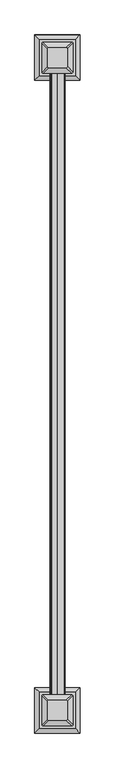
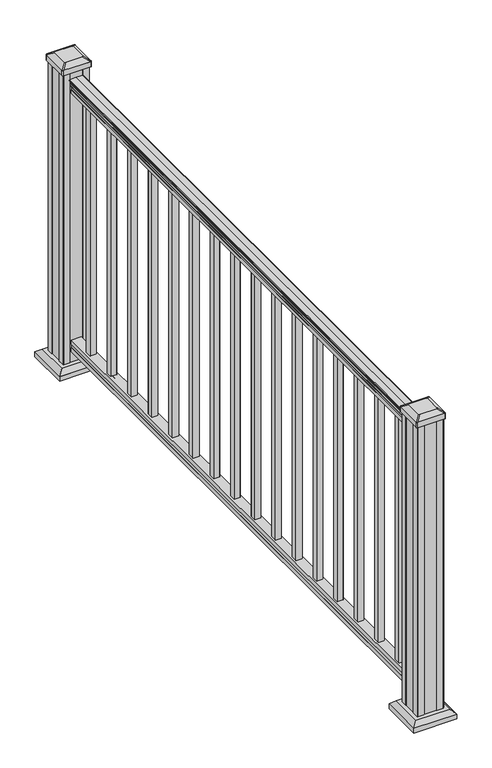
"""IFC4 building model written with IfcOpenShell, lengths in millimetres: railing geometry."""

import ifcopenshell
import ifcopenshell.guid

model = None  # the IFC model being written
_history = None  # IfcOwnerHistory: only IFC2X3 demands one
_inside = {}  # id of a spatial element -> (the spatial element, [elements in it])
_under = {}  # id of a project, library or spatial element -> (it, [spatial elements below it])
_declared = {}  # id of a project -> (the project, [libraries it declares])
_typed = {}  # id of a type object -> (the type object, [elements of that type])
_made_of = {}  # id of a material, layer set ... -> (it, [elements and type objects made of it])


def new_model(schema):
    """Start an empty IFC model of exactly this schema.

    Asked for "IFC4X3", IfcOpenShell would pick the latest addendum, in which some entities
    have other attributes; the version numbers below select the first issue.
    IFC2X3 requires an IfcOwnerHistory on every rooted entity: one is made here for all.
    """
    global model, _history
    if schema == "IFC4X3":
        model = ifcopenshell.file(schema_version=(4, 3, 0, 0))
    else:
        model = ifcopenshell.file(schema=schema)
    _inside.clear()
    _under.clear()
    _declared.clear()
    _typed.clear()
    _made_of.clear()
    _history = None
    if model.schema == "IFC2X3":
        org = make("IfcOrganization", Name="unknown")
        user = make(
            "IfcPersonAndOrganization",
            ThePerson=make("IfcPerson", FamilyName="unknown"),
            TheOrganization=org,
        )
        app = make(
            "IfcApplication",
            ApplicationDeveloper=org,
            Version="unknown",
            ApplicationFullName="unknown",
            ApplicationIdentifier="unknown",
        )
        _history = make(
            "IfcOwnerHistory",
            OwningUser=user,
            OwningApplication=app,
            ChangeAction="ADDED",
            CreationDate=0,
        )
    return model


def make(cls, **values):
    """One entity of the class cls with the attributes given. An attribute that is None is left unset."""
    return model.create_entity(
        cls, **{name: value for name, value in values.items() if value is not None}
    )


def rooted(cls, **values):
    """An entity with a GlobalId (a new one), such as an element, a storey or a relation."""
    return make(cls, GlobalId=ifcopenshell.guid.new(), OwnerHistory=_history, **values)


def si_unit(unit_type, name, prefix=None):
    """IfcSIUnit, for example si_unit("LENGTHUNIT", "METRE", prefix="MILLI")."""
    return make("IfcSIUnit", UnitType=unit_type, Prefix=prefix, Name=name)


def assignment(units):
    """IfcUnitAssignment: the units of a project."""
    return None if units is None else make("IfcUnitAssignment", Units=units)


def point(xyz):
    """IfcCartesianPoint."""
    return None if xyz is None else make("IfcCartesianPoint", Coordinates=xyz)


def direction(xyz):
    """IfcDirection."""
    return None if xyz is None else make("IfcDirection", DirectionRatios=xyz)


def frame(location, z_axis=None, x_axis=None):
    """IfcAxis2Placement3D, a coordinate frame: its origin and axes. An axis left out is left unset."""
    return make(
        "IfcAxis2Placement3D",
        Location=point(location),
        Axis=direction(z_axis),
        RefDirection=direction(x_axis),
    )


def frame_2d(location, x_axis=None):
    """IfcAxis2Placement2D, a coordinate frame in the plane: its origin and x axis."""
    return make(
        "IfcAxis2Placement2D", Location=point(location), RefDirection=direction(x_axis)
    )


def origin():
    """The frame at (0, 0, 0) with its axes left unset."""
    return frame((0.0, 0.0, 0.0))


def origin_with_axes():
    """The frame at (0, 0, 0) with the z axis (0, 0, 1) and the x axis (1, 0, 0) written out."""
    return frame((0.0, 0.0, 0.0), z_axis=(0.0, 0.0, 1.0), x_axis=(1.0, 0.0, 0.0))


def place(relative_to, where):
    """IfcLocalPlacement: puts the frame where relative to a parent placement (None: the world)."""
    return make(
        "IfcLocalPlacement", PlacementRelTo=relative_to, RelativePlacement=where
    )


def context(
    kind, dimensions, precision=None, world=None, true_north=None, identifier=None
):
    """IfcGeometricRepresentationContext, for example the 3D "Model" context."""
    return make(
        "IfcGeometricRepresentationContext",
        ContextIdentifier=identifier,
        ContextType=kind,
        CoordinateSpaceDimension=dimensions,
        Precision=precision,
        WorldCoordinateSystem=world,
        TrueNorth=true_north,
    )


def project(units=None, contexts=None):
    """IfcProject with its units and contexts."""
    return rooted(
        "IfcProject",
        Name="project",
        RepresentationContexts=contexts,
        UnitsInContext=assignment(units),
    )


def spatial(cls, under=None, at=None, **own):
    """A site, building, storey or space (cls), placed at a placement, below another one or the project."""
    s = rooted(cls, ObjectPlacement=at, **own)
    if under is not None:
        _under.setdefault(under.id(), (under, []))[1].append(s)
    return s


def polyline(points):
    """IfcPolyline through the points."""
    return make("IfcPolyline", Points=[point(p) for p in points])


def circle_curve(where, radius):
    """IfcCircle in the frame where."""
    return make("IfcCircle", Position=where, Radius=radius)


def trimmed(basis, trim1, trim2, sense, master):
    """IfcTrimmedCurve: the piece of a basis curve between two trims."""
    return make(
        "IfcTrimmedCurve",
        BasisCurve=basis,
        Trim1=trim1,
        Trim2=trim2,
        SenseAgreement=sense,
        MasterRepresentation=master,
    )


def segment(curve, same_sense, transition):
    """IfcCompositeCurveSegment."""
    return make(
        "IfcCompositeCurveSegment",
        Transition=transition,
        SameSense=same_sense,
        ParentCurve=curve,
    )


def composite_curve(segments, self_intersect=None):
    """IfcCompositeCurve: segments joined end to end."""
    return make("IfcCompositeCurve", Segments=segments, SelfIntersect=self_intersect)


def outline(outer, holes=None, kind="AREA"):
    """IfcArbitraryClosedProfileDef: a profile drawn as a closed curve; with holes, ...WithVoids."""
    if holes is None:
        return make("IfcArbitraryClosedProfileDef", ProfileType=kind, OuterCurve=outer)
    return make(
        "IfcArbitraryProfileDefWithVoids",
        ProfileType=kind,
        OuterCurve=outer,
        InnerCurves=holes,
    )


def extrude(swept, where, along, depth):
    """IfcExtrudedAreaSolid: the profile swept, set in the frame where, extruded along a direction by depth."""
    return make(
        "IfcExtrudedAreaSolid",
        SweptArea=swept,
        Position=where,
        ExtrudedDirection=direction(along),
        Depth=depth,
    )


def faces_of(points, faces, orient=None, outer=None):
    """IfcFace entities. A face is a list of loops; a loop is a list of indices into points, from 0.

    orient and outer hold one flag for each loop. By default every Orientation is true, the
    first loop of a face is its IfcFaceOuterBound and the others are IfcFaceBound.
    """
    made = []
    for i, loops in enumerate(faces):
        bounds = []
        for j, loop in enumerate(loops):
            is_outer = j == 0 if outer is None else outer[i][j]
            bounds.append(
                make(
                    "IfcFaceOuterBound" if is_outer else "IfcFaceBound",
                    Bound=make("IfcPolyLoop", Polygon=[points[k] for k in loop]),
                    Orientation=True if orient is None else orient[i][j],
                )
            )
        made.append(make("IfcFace", Bounds=bounds))
    return made


def faceted_brep(points, faces, orient=None, outer=None, voids=None):
    """IfcFacetedBrep: a solid bounded by flat faces; with voids (closed shells), ...WithVoids."""
    shared = [point(p) for p in points]
    hull = make("IfcClosedShell", CfsFaces=faces_of(shared, faces, orient, outer))
    if voids is None:
        return make("IfcFacetedBrep", Outer=hull)
    return make(
        "IfcFacetedBrepWithVoids",
        Outer=hull,
        Voids=[
            make(cls, CfsFaces=faces_of(shared, fs, o, b)) for cls, fs, o, b in voids
        ],
    )


def shape(context_of_items, identifier, shape_type, items):
    """IfcShapeRepresentation: the items that make up one representation, for example the "Body"."""
    return make(
        "IfcShapeRepresentation",
        ContextOfItems=context_of_items,
        RepresentationIdentifier=identifier,
        RepresentationType=shape_type,
        Items=items,
    )


def source(mapping_origin, context_of_items, identifier, shape_type, items):
    """IfcRepresentationMap: a shape defined once, which mapped items show again and again."""
    return make(
        "IfcRepresentationMap",
        MappingOrigin=mapping_origin,
        MappedRepresentation=shape(context_of_items, identifier, shape_type, items),
    )


def transform(
    local_origin,
    x_axis=None,
    y_axis=None,
    z_axis=None,
    scale=None,
    scale2=None,
    scale3=None,
    uniform=True,
):
    """IfcCartesianTransformationOperator3D, or its non-uniform kind. x_axis, y_axis, z_axis: its Axis1, 2, 3."""
    if uniform:
        return make(
            "IfcCartesianTransformationOperator3D",
            Axis1=direction(x_axis),
            Axis2=direction(y_axis),
            LocalOrigin=point(local_origin),
            Scale=scale,
            Axis3=direction(z_axis),
        )
    return make(
        "IfcCartesianTransformationOperator3DnonUniform",
        Axis1=direction(x_axis),
        Axis2=direction(y_axis),
        LocalOrigin=point(local_origin),
        Scale=scale,
        Axis3=direction(z_axis),
        Scale2=scale2,
        Scale3=scale3,
    )


def mapped(mapping_source, mapping_target):
    """IfcMappedItem: shows the shape of a source again, moved by a transform."""
    return make(
        "IfcMappedItem", MappingSource=mapping_source, MappingTarget=mapping_target
    )


def made_of(thing, what):
    """Note that an element or type object is made of a material, layer set ...; save() writes the relation."""
    if what is not None:
        _made_of.setdefault(what.id(), (what, []))[1].append(thing)
    return thing


def element(
    cls,
    number,
    at=None,
    inside=None,
    cuts=None,
    type_object=None,
    material=None,
    context=None,
    identifier="Body",
    shape_type=None,
    held_by="IfcProductDefinitionShape",
    body=None,
    shapes=None,
    **own,
):
    """One element of the class cls, such as IfcWall. Its Tag is "e" and its number.

    at: its placement. inside: the storey or other place that contains it. cuts: it is an
    opening in that element (IfcRelVoidsElement). A single representation is given by context,
    identifier, shape_type and body (its items); several are given by shapes. held_by: the class
    of the entity that holds the representations. save() writes the other relations.
    """
    e = rooted(cls, Tag="e%d" % number, ObjectPlacement=at, **own)
    if body is not None:
        shapes = [shape(context, identifier, shape_type, body)]
    if shapes is not None:
        e.Representation = make(held_by, Representations=shapes)
    if inside is not None:
        _inside.setdefault(inside.id(), (inside, []))[1].append(e)
    if cuts is not None:
        rooted(
            "IfcRelVoidsElement", RelatingBuildingElement=cuts, RelatedOpeningElement=e
        )
    if type_object is not None:
        _typed.setdefault(type_object.id(), (type_object, []))[1].append(e)
    return made_of(e, material)


def aggregate(whole, parts):
    """IfcRelAggregates: a whole, such as a stair, and the parts it consists of."""
    return rooted("IfcRelAggregates", RelatingObject=whole, RelatedObjects=parts)


def save(model, path):
    """Write the relations noted so far, then the file.

    IfcRelAggregates (storeys below a building ...), IfcRelContainedInSpatialStructure (elements
    in a storey), IfcRelDefinesByType, IfcRelAssociatesMaterial and IfcRelDeclares: one each for
    every whole, place, type object, material and project.
    """
    for whole, parts in _under.values():
        aggregate(whole, parts)
    for where, things in _inside.values():
        rooted(
            "IfcRelContainedInSpatialStructure",
            RelatedElements=things,
            RelatingStructure=where,
        )
    for kind, things in _typed.values():
        rooted("IfcRelDefinesByType", RelatedObjects=things, RelatingType=kind)
    for what, things in _made_of.values():
        rooted("IfcRelAssociatesMaterial", RelatedObjects=things, RelatingMaterial=what)
    for by, libraries in _declared.values():
        rooted("IfcRelDeclares", RelatingContext=by, RelatedDefinitions=libraries)
    model.write(path)


def plane_surface(at):
    """IfcPlane: the flat surface through the origin of the frame at, square to its z axis."""
    return make("IfcPlane", Position=at)


def extruded_surface(curve, direction_of_extrusion, depth):
    """IfcSurfaceOfLinearExtrusion: the curve pushed along a direction by depth."""
    return make(
        "IfcSurfaceOfLinearExtrusion",
        SweptCurve=make("IfcArbitraryOpenProfileDef", ProfileType="CURVE", Curve=curve),
        ExtrudedDirection=direction(direction_of_extrusion),
        Depth=depth,
    )


def advanced_brep(points, edges, surfaces, faces):
    """IfcAdvancedBrep: a solid bounded by faces that lie on surfaces and meet in shared edges.

    An edge is (start, end): straight between two places in points (the first is 0);
    or (start, end, curve); or (start, end, curve, False) where it runs against its curve.
    A face is (place in surfaces, loops), or (place, loops, False) where it looks against
    its surface's normal. A loop lists edges by number (the first is 1), with a minus sign
    where the edge is run from its end to its start. The first loop is the outer one.
    """
    corners = [point(p) for p in points]
    vertices = [make("IfcVertexPoint", VertexGeometry=c) for c in corners]
    made = []
    for start, end, *more in edges:
        made.append(
            make(
                "IfcEdgeCurve",
                EdgeStart=vertices[start],
                EdgeEnd=vertices[end],
                EdgeGeometry=more[0] if more else make("IfcPolyline", Points=[corners[start], corners[end]]),
                SameSense=more[1] if len(more) > 1 else True,
            )
        )
    hull = []
    for where, loops, *sense in faces:
        bounds = []
        for j, loop in enumerate(loops):
            ring = [make("IfcOrientedEdge", EdgeElement=made[abs(k) - 1], Orientation=k > 0) for k in loop]
            bounds.append(
                make(
                    "IfcFaceOuterBound" if j == 0 else "IfcFaceBound",
                    Bound=make("IfcEdgeLoop", EdgeList=ring),
                    Orientation=True,
                )
            )
        hull.append(make("IfcAdvancedFace", Bounds=bounds, FaceSurface=surfaces[where], SameSense=sense[0] if sense else True))
    return make("IfcAdvancedBrep", Outer=make("IfcClosedShell", CfsFaces=hull))


def railing_c52106c8(model_context):
    return source(origin(), model_context, "Body", "SolidModel", [
        extrude(outline(composite_curve([segment(trimmed(circle_curve(frame_2d((938.4043297, -265.9572176)), 1.2869144), [point((938.4043297, -267.2441319))], [point((938.4043297, -264.6703032))], False, "CARTESIAN"), True, "CONTINUOUS"), segment(polyline([(938.4043297, -264.6703032), (927.747013, -264.6703032), (926.731013, -265.6863032), (914.4, -265.6863032), (914.4, -233.9363032), (926.8888283, -233.9363032), (927.9048283, -234.9523032), (938.4043297, -234.9523032)]), True, "CONTINUOUS"), segment(trimmed(circle_curve(frame_2d((938.4043297, -233.6653888)), 1.2869144), [point((938.4043297, -234.9523032))], [point((938.4043297, -232.3784745))], False, "CARTESIAN"), True, "CONTINUOUS"), segment(polyline([(938.4043297, -232.3784745), (940.292412, -232.3784745)]), True, "CONTINUOUS"), segment(trimmed(circle_curve(frame_2d((946.0506383, -238.6932277)), 8.545951), [point((940.292412, -232.3784745))], [point((941.8546695, -231.2482882))], False, "CARTESIAN"), True, "CONTINUOUS"), segment(trimmed(circle_curve(frame_2d((945.4636577, -238.2561648)), 7.882584), [point((941.8546695, -231.2482882))], [point((949.0726458, -231.2482882))], False, "CARTESIAN"), True, "CONTINUOUS"), segment(trimmed(circle_curve(frame_2d((951.3112527, -227.7428406)), 4.1592695), [point((949.0726458, -231.2482882))], [point((951.5060812, -231.8975446))], True, "CARTESIAN"), True, "CONTINUOUS"), segment(trimmed(circle_curve(frame_2d((951.2508864, -226.4555341)), 5.4479907), [point((951.5060812, -231.8975446))], [point((955.8362083, -229.3975446))], True, "CARTESIAN"), True, "CONTINUOUS"), segment(trimmed(circle_curve(frame_2d((955.833395, -227.6886925)), 1.7088543), [point((955.8362083, -229.3975446))], [point((957.5157972, -227.9882021))], True, "CARTESIAN"), True, "CONTINUOUS"), segment(trimmed(circle_curve(frame_2d((958.6205318, -229.3055926)), 1.7192895), [point((957.5157972, -227.9882021))], [point((958.6205318, -227.5863031))], False, "CARTESIAN"), True, "CONTINUOUS"), segment(polyline([(958.6205318, -227.5863031), (959.9608158, -227.5863032)]), True, "CONTINUOUS"), segment(trimmed(circle_curve(frame_2d((959.9608158, -229.1397504)), 1.5534472), [point((959.9608158, -227.5863032))], [point((961.514263, -229.1397504))], False, "CARTESIAN"), True, "CONTINUOUS"), segment(polyline([(961.514263, -229.1397504), (961.514263, -249.8113032), (961.514263, -270.482856)]), True, "CONTINUOUS"), segment(trimmed(circle_curve(frame_2d((959.9608158, -270.482856)), 1.5534472), [point((961.514263, -270.482856))], [point((959.9608158, -272.0363032))], False, "CARTESIAN"), True, "CONTINUOUS"), segment(polyline([(959.9608158, -272.0363032), (958.6205318, -272.0363032)]), True, "CONTINUOUS"), segment(trimmed(circle_curve(frame_2d((958.6205318, -270.3170138)), 1.7192895), [point((958.6205318, -272.0363032))], [point((957.5157972, -271.6344043))], False, "CARTESIAN"), True, "CONTINUOUS"), segment(trimmed(circle_curve(frame_2d((955.833395, -271.9339139)), 1.7088543), [point((957.5157972, -271.6344043))], [point((955.8362083, -270.2250618))], True, "CARTESIAN"), True, "CONTINUOUS"), segment(trimmed(circle_curve(frame_2d((951.2508864, -273.1670723)), 5.4479907), [point((955.8362083, -270.2250618))], [point((951.5060812, -267.7250618))], True, "CARTESIAN"), True, "CONTINUOUS"), segment(trimmed(circle_curve(frame_2d((951.3112527, -271.8797657)), 4.1592695), [point((951.5060812, -267.7250618))], [point((949.0726458, -268.3743182))], True, "CARTESIAN"), True, "CONTINUOUS"), segment(trimmed(circle_curve(frame_2d((945.4636577, -261.3664416)), 7.882584), [point((949.0726458, -268.3743182))], [point((941.8546695, -268.3743182))], False, "CARTESIAN"), True, "CONTINUOUS"), segment(trimmed(circle_curve(frame_2d((946.0506383, -260.9293786)), 8.545951), [point((941.8546695, -268.3743182))], [point((940.292412, -267.2441319))], False, "CARTESIAN"), True, "CONTINUOUS"), segment(polyline([(940.292412, -267.2441319), (938.4043297, -267.2441319)]), True, "CONTINUOUS")], self_intersect=False)), frame((0.0, 2296.7647067, 0.0), z_axis=(0.0, 1.0, 0.0), x_axis=(0.0, 0.0, 1.0)), (0.0, 0.0, 1.0), 1828.8),
        extrude(outline(polyline([(76.0541976, -265.7237901), (63.5, -265.7237901), (63.5, -233.9737901), (76.0375508, -233.9737901), (77.3858283, -234.9897901), (87.6975248, -234.9897901), (89.0458024, -233.9737901), (101.5958781, -233.9737901), (101.5958781, -265.7237901), (89.0624492, -265.7237901), (87.7141717, -264.7077901), (77.3546183, -264.7077901), (76.0541976, -265.7237901)])), frame((0.0, 2296.7647067, 0.0), z_axis=(0.0, 1.0, 0.0), x_axis=(0.0, 0.0, 1.0)), (0.0, 0.0, 1.0), 1828.8),
        extrude(outline(polyline([(-259.3363032, 4035.0772067), (-259.3363032, 4054.1272067), (-240.2863032, 4054.1272067), (-240.2863032, 4035.0772067), (-259.3363032, 4035.0772067)]), holes=[polyline([(-258.9394282, 4035.4740817), (-240.6831782, 4035.4740817), (-240.6831782, 4053.7303317), (-258.9394282, 4053.7303317), (-258.9394282, 4035.4740817)])]), frame((0.0, 0.0, 101.5958781), z_axis=(0.0, 0.0, 1.0), x_axis=(1.0, 0.0, 0.0)), (0.0, 0.0, 1.0), 812.8041219),
        extrude(outline(polyline([(-259.3363032, 3923.9522067), (-259.3363032, 3943.0022067), (-240.2863032, 3943.0022067), (-240.2863032, 3923.9522067), (-259.3363032, 3923.9522067)]), holes=[polyline([(-258.9394282, 3924.3490817), (-240.6831782, 3924.3490817), (-240.6831782, 3942.6053317), (-258.9394282, 3942.6053317), (-258.9394282, 3924.3490817)])]), frame((0.0, 0.0, 101.5958781), z_axis=(0.0, 0.0, 1.0), x_axis=(1.0, 0.0, 0.0)), (0.0, 0.0, 1.0), 812.8041219),
        extrude(outline(polyline([(-259.3363032, 3812.8272067), (-259.3363032, 3831.8772067), (-240.2863032, 3831.8772067), (-240.2863032, 3812.8272067), (-259.3363032, 3812.8272067)]), holes=[polyline([(-258.9394282, 3813.2240817), (-240.6831782, 3813.2240817), (-240.6831782, 3831.4803317), (-258.9394282, 3831.4803317), (-258.9394282, 3813.2240817)])]), frame((0.0, 0.0, 101.5958781), z_axis=(0.0, 0.0, 1.0), x_axis=(1.0, 0.0, 0.0)), (0.0, 0.0, 1.0), 812.8041219),
        extrude(outline(polyline([(-259.3363032, 3701.7022067), (-259.3363032, 3720.7522067), (-240.2863032, 3720.7522067), (-240.2863032, 3701.7022067), (-259.3363032, 3701.7022067)]), holes=[polyline([(-258.9394282, 3702.0990817), (-240.6831782, 3702.0990817), (-240.6831782, 3720.3553317), (-258.9394282, 3720.3553317), (-258.9394282, 3702.0990817)])]), frame((0.0, 0.0, 101.5958781), z_axis=(0.0, 0.0, 1.0), x_axis=(1.0, 0.0, 0.0)), (0.0, 0.0, 1.0), 812.8041219),
        extrude(outline(polyline([(-259.3363032, 3590.5772067), (-259.3363032, 3609.6272067), (-240.2863032, 3609.6272067), (-240.2863032, 3590.5772067), (-259.3363032, 3590.5772067)]), holes=[polyline([(-258.9394282, 3590.9740817), (-240.6831782, 3590.9740817), (-240.6831782, 3609.2303317), (-258.9394282, 3609.2303317), (-258.9394282, 3590.9740817)])]), frame((0.0, 0.0, 101.5958781), z_axis=(0.0, 0.0, 1.0), x_axis=(1.0, 0.0, 0.0)), (0.0, 0.0, 1.0), 812.8041219),
        extrude(outline(polyline([(-259.3363032, 3479.4522067), (-259.3363032, 3498.5022067), (-240.2863032, 3498.5022067), (-240.2863032, 3479.4522067), (-259.3363032, 3479.4522067)]), holes=[polyline([(-258.9394282, 3479.8490817), (-240.6831782, 3479.8490817), (-240.6831782, 3498.1053317), (-258.9394282, 3498.1053317), (-258.9394282, 3479.8490817)])]), frame((0.0, 0.0, 101.5958781), z_axis=(0.0, 0.0, 1.0), x_axis=(1.0, 0.0, 0.0)), (0.0, 0.0, 1.0), 812.8041219),
        extrude(outline(polyline([(-259.3363032, 3368.3272067), (-259.3363032, 3387.3772067), (-240.2863032, 3387.3772067), (-240.2863032, 3368.3272067), (-259.3363032, 3368.3272067)]), holes=[polyline([(-258.9394282, 3368.7240817), (-240.6831782, 3368.7240817), (-240.6831782, 3386.9803317), (-258.9394282, 3386.9803317), (-258.9394282, 3368.7240817)])]), frame((0.0, 0.0, 101.5958781), z_axis=(0.0, 0.0, 1.0), x_axis=(1.0, 0.0, 0.0)), (0.0, 0.0, 1.0), 812.8041219),
        extrude(outline(polyline([(-259.3363032, 3257.2022067), (-259.3363032, 3276.2522067), (-240.2863032, 3276.2522067), (-240.2863032, 3257.2022067), (-259.3363032, 3257.2022067)]), holes=[polyline([(-258.9394282, 3257.5990817), (-240.6831782, 3257.5990817), (-240.6831782, 3275.8553317), (-258.9394282, 3275.8553317), (-258.9394282, 3257.5990817)])]), frame((0.0, 0.0, 101.5958781), z_axis=(0.0, 0.0, 1.0), x_axis=(1.0, 0.0, 0.0)), (0.0, 0.0, 1.0), 812.8041219),
        extrude(outline(polyline([(-259.3363032, 3146.0772067), (-259.3363032, 3165.1272067), (-240.2863032, 3165.1272067), (-240.2863032, 3146.0772067), (-259.3363032, 3146.0772067)]), holes=[polyline([(-258.9394282, 3146.4740817), (-240.6831782, 3146.4740817), (-240.6831782, 3164.7303317), (-258.9394282, 3164.7303317), (-258.9394282, 3146.4740817)])]), frame((0.0, 0.0, 101.5958781), z_axis=(0.0, 0.0, 1.0), x_axis=(1.0, 0.0, 0.0)), (0.0, 0.0, 1.0), 812.8041219),
        extrude(outline(polyline([(-259.3363032, 3034.9522067), (-259.3363032, 3054.0022067), (-240.2863032, 3054.0022067), (-240.2863032, 3034.9522067), (-259.3363032, 3034.9522067)]), holes=[polyline([(-258.9394282, 3035.3490817), (-240.6831782, 3035.3490817), (-240.6831782, 3053.6053317), (-258.9394282, 3053.6053317), (-258.9394282, 3035.3490817)])]), frame((0.0, 0.0, 101.5958781), z_axis=(0.0, 0.0, 1.0), x_axis=(1.0, 0.0, 0.0)), (0.0, 0.0, 1.0), 812.8041219),
        extrude(outline(polyline([(-259.3363032, 2923.8272067), (-259.3363032, 2942.8772067), (-240.2863032, 2942.8772067), (-240.2863032, 2923.8272067), (-259.3363032, 2923.8272067)]), holes=[polyline([(-258.9394282, 2924.2240817), (-240.6831782, 2924.2240817), (-240.6831782, 2942.4803317), (-258.9394282, 2942.4803317), (-258.9394282, 2924.2240817)])]), frame((0.0, 0.0, 101.5958781), z_axis=(0.0, 0.0, 1.0), x_axis=(1.0, 0.0, 0.0)), (0.0, 0.0, 1.0), 812.8041219),
        extrude(outline(polyline([(-259.3363032, 2812.7022067), (-259.3363032, 2831.7522067), (-240.2863032, 2831.7522067), (-240.2863032, 2812.7022067), (-259.3363032, 2812.7022067)]), holes=[polyline([(-258.9394282, 2813.0990817), (-240.6831782, 2813.0990817), (-240.6831782, 2831.3553317), (-258.9394282, 2831.3553317), (-258.9394282, 2813.0990817)])]), frame((0.0, 0.0, 101.5958781), z_axis=(0.0, 0.0, 1.0), x_axis=(1.0, 0.0, 0.0)), (0.0, 0.0, 1.0), 812.8041219),
        extrude(outline(polyline([(-259.3363032, 2701.5772067), (-259.3363032, 2720.6272067), (-240.2863032, 2720.6272067), (-240.2863032, 2701.5772067), (-259.3363032, 2701.5772067)]), holes=[polyline([(-258.9394282, 2701.9740817), (-240.6831782, 2701.9740817), (-240.6831782, 2720.2303317), (-258.9394282, 2720.2303317), (-258.9394282, 2701.9740817)])]), frame((0.0, 0.0, 101.5958781), z_axis=(0.0, 0.0, 1.0), x_axis=(1.0, 0.0, 0.0)), (0.0, 0.0, 1.0), 812.8041219),
        extrude(outline(polyline([(-259.3363032, 2590.4522067), (-259.3363032, 2609.5022067), (-240.2863032, 2609.5022067), (-240.2863032, 2590.4522067), (-259.3363032, 2590.4522067)]), holes=[polyline([(-258.9394282, 2590.8490817), (-240.6831782, 2590.8490817), (-240.6831782, 2609.1053317), (-258.9394282, 2609.1053317), (-258.9394282, 2590.8490817)])]), frame((0.0, 0.0, 101.5958781), z_axis=(0.0, 0.0, 1.0), x_axis=(1.0, 0.0, 0.0)), (0.0, 0.0, 1.0), 812.8041219),
        extrude(outline(polyline([(-259.3363032, 2479.3272067), (-259.3363032, 2498.3772067), (-240.2863032, 2498.3772067), (-240.2863032, 2479.3272067), (-259.3363032, 2479.3272067)]), holes=[polyline([(-258.9394282, 2479.7240817), (-240.6831782, 2479.7240817), (-240.6831782, 2497.9803317), (-258.9394282, 2497.9803317), (-258.9394282, 2479.7240817)])]), frame((0.0, 0.0, 101.5958781), z_axis=(0.0, 0.0, 1.0), x_axis=(1.0, 0.0, 0.0)), (0.0, 0.0, 1.0), 812.8041219),
        extrude(outline(polyline([(-259.3363032, 2368.2022067), (-259.3363032, 2387.2522067), (-240.2863032, 2387.2522067), (-240.2863032, 2368.2022067), (-259.3363032, 2368.2022067)]), holes=[polyline([(-258.9394282, 2368.5990817), (-240.6831782, 2368.5990817), (-240.6831782, 2386.8553317), (-258.9394282, 2386.8553317), (-258.9394282, 2368.5990817)])]), frame((0.0, 0.0, 101.5958781), z_axis=(0.0, 0.0, 1.0), x_axis=(1.0, 0.0, 0.0)), (0.0, 0.0, 1.0), 812.8041219),
        faceted_brep([(-302.3972407, 4114.2537692, 28.575), (-197.2253657, 4114.2537692, 28.575), (-197.2253657, 4219.4256442, 28.575), (-302.3972407, 4219.4256442, 28.575), (-316.4366938, 4100.2143161, 15.24), (-316.4366938, 4233.4650974, 15.24), (-183.1859126, 4233.4650974, 15.24), (-183.1859126, 4100.2143161, 15.24)], [[[0, 1, 2, 3]], [[4, 5, 6, 7]], [[4, 7, 1, 0]], [[7, 6, 2, 1]], [[6, 5, 3, 2]], [[5, 4, 0, 3]]]),
        extrude(outline(polyline([(-316.4366938, 4100.2143161), (-316.4366938, 4233.4650974), (-183.1859126, 4233.4650974), (-183.1859126, 4100.2143161), (-316.4366938, 4100.2143161)])), origin_with_axes(), (0.0, 0.0, 1.0), 15.24),
        advanced_brep(
        [(-224.0144282, 4137.8678317, 1012.825), (-220.8394282, 4141.0428317, 1012.825), (-220.8394282, 4192.6365817, 1012.825), (-224.0144282, 4195.8115817, 1012.825), (-275.6081782, 4195.8115817, 1012.825), (-278.7831782, 4192.6365817, 1012.825), (-278.7831782, 4141.0428317, 1012.825), (-275.6081782, 4137.8678317, 1012.825), (-207.7425532, 4121.5959567, 1001.522), (-291.8800532, 4121.5959567, 1001.522), (-295.0550532, 4124.7709567, 1001.522), (-295.0550532, 4208.9084567, 1001.522), (-291.8800532, 4212.0834567, 1001.522), (-207.7425532, 4212.0834567, 1001.522), (-204.5675532, 4208.9084567, 1001.522), (-204.5675532, 4124.7709567, 1001.522)],
        [
            (0, 1, circle_curve(frame((-224.0144282, 4141.0428317, 1012.825), z_axis=(0.0, 0.0, 1.0), x_axis=(0.0, 1.0, 0.0)), 3.175)),
            (1, 2),
            (2, 3, circle_curve(frame((-224.0144282, 4192.6365817, 1012.825), z_axis=(0.0, 0.0, 1.0), x_axis=(0.0, 1.0, 0.0)), 3.175)),
            (3, 4),
            (4, 5, circle_curve(frame((-275.6081782, 4192.6365817, 1012.825), z_axis=(0.0, 0.0, 1.0), x_axis=(0.0, 1.0, 0.0)), 3.175)),
            (5, 6),
            (6, 7, circle_curve(frame((-275.6081782, 4141.0428317, 1012.825), z_axis=(0.0, 0.0, 1.0), x_axis=(0.0, 1.0, 0.0)), 3.175)),
            (7, 0),
            (8, 9),
            (9, 10, circle_curve(frame((-291.8800532, 4124.7709567, 1001.522), z_axis=(0.0, 0.0, -1.0), x_axis=(0.0, 1.0, 0.0)), 3.175)),
            (10, 11),
            (11, 12, circle_curve(frame((-291.8800532, 4208.9084567, 1001.522), z_axis=(0.0, 0.0, -1.0), x_axis=(0.0, 1.0, 0.0)), 3.175)),
            (12, 13),
            (13, 14, circle_curve(frame((-207.7425532, 4208.9084567, 1001.522), z_axis=(0.0, 0.0, -1.0), x_axis=(0.0, 1.0, 0.0)), 3.175)),
            (14, 15),
            (15, 8, circle_curve(frame((-207.7425532, 4124.7709567, 1001.522), z_axis=(0.0, 0.0, -1.0), x_axis=(0.0, 1.0, 0.0)), 3.175)),
            (15, 1),
            (0, 8),
            (14, 2),
            (13, 3),
            (12, 4),
            (11, 5),
            (10, 6),
            (9, 7),
        ],
        [
            plane_surface(frame((-249.8113032, 4166.8397067, 1012.825), z_axis=(0.0, 0.0, 1.0), x_axis=(1.0, 0.0, 0.0))),
            plane_surface(frame((-249.8113032, 4166.8397067, 1001.522), z_axis=(0.0, 0.0, -1.0), x_axis=(1.0, 0.0, 0.0))),
            extruded_surface(trimmed(circle_curve(frame((-207.7425532, 4124.7709567, 1001.522), z_axis=(0.0, 0.0, 1.0), x_axis=(0.0, 1.0, 0.0)), 3.175), [point((-207.7425532, 4121.5959567, 1001.522))], [point((-204.5675532, 4124.7709567, 1001.522))], True, "CARTESIAN"), (-16.271874999999994, 16.271874999999454, 11.302999999999997), 25.63797263886581),
            plane_surface(frame((-204.5675532, 4166.8397067, 1001.522), z_axis=(0.5705009161540779, 0.0, 0.8212969649690408), x_axis=(0.0, 1.0, 0.0))),
            extruded_surface(trimmed(circle_curve(frame((-207.7425532, 4208.9084567, 1001.522), z_axis=(0.0, 0.0, 1.0), x_axis=(0.0, 1.0, 0.0)), 3.175), [point((-204.5675532, 4208.9084567, 1001.522))], [point((-207.7425532, 4212.0834567, 1001.522))], True, "CARTESIAN"), (-16.271874999999994, -16.271875000000364, 11.302999999999997), 25.637972638866387),
            plane_surface(frame((-249.8113032, 4212.0834567, 1001.522), z_axis=(0.0, 0.5705009161540291, 0.8212969649690747), x_axis=(-1.0, 0.0, 0.0))),
            extruded_surface(trimmed(circle_curve(frame((-291.8800532, 4208.9084567, 1001.522), z_axis=(0.0, 0.0, 1.0), x_axis=(0.0, 1.0, 0.0)), 3.175), [point((-291.8800532, 4212.0834567, 1001.522))], [point((-295.0550532, 4208.9084567, 1001.522))], True, "CARTESIAN"), (16.271875000000023, -16.271875000000364, 11.302999999999997), 25.637972638866405),
            plane_surface(frame((-295.0550532, 4166.8397067, 1001.522), z_axis=(-0.5705009161540141, 0.0, 0.8212969649690851), x_axis=(0.0, -1.0, 0.0))),
            extruded_surface(trimmed(circle_curve(frame((-291.8800532, 4124.7709567, 1001.522), z_axis=(0.0, 0.0, 1.0), x_axis=(0.0, 1.0, 0.0)), 3.175), [point((-295.0550532, 4124.7709567, 1001.522))], [point((-291.8800532, 4121.5959567, 1001.522))], True, "CARTESIAN"), (16.271875000000023, 16.271874999999454, 11.302999999999997), 25.63797263886583),
            plane_surface(frame((-249.8113032, 4121.5959567, 1001.522), z_axis=(0.0, -0.570500916154034, 0.8212969649690713), x_axis=(1.0, 0.0, 0.0))),
        ],
        [
            (0, [[1, 2, 3, 4, 5, 6, 7, 8]]),
            (1, [[9, 10, 11, 12, 13, 14, 15, 16]]),
            (2, [[-16, 17, -1, 18]]),
            (3, [[-15, 19, -2, -17]]),
            (4, [[-14, 20, -3, -19]]),
            (5, [[-13, 21, -4, -20]]),
            (6, [[-12, 22, -5, -21]]),
            (7, [[-11, 23, -6, -22]]),
            (8, [[-10, 24, -7, -23]]),
            (9, [[-9, -18, -8, -24]]),
        ],
    ),
        extrude(outline(composite_curve([segment(polyline([(-207.7425532, 4121.5959567), (-291.8800532, 4121.5959567)]), True, "CONTINUOUS"), segment(trimmed(circle_curve(frame_2d((-291.8800532, 4124.7709567)), 3.175), [point((-291.8800532, 4121.5959567))], [point((-295.0550532, 4124.7709567))], False, "CARTESIAN"), True, "CONTINUOUS"), segment(polyline([(-295.0550532, 4124.7709567), (-295.0550532, 4208.9084567)]), True, "CONTINUOUS"), segment(trimmed(circle_curve(frame_2d((-291.8800532, 4208.9084567)), 3.175), [point((-295.0550532, 4208.9084567))], [point((-291.8800532, 4212.0834567))], False, "CARTESIAN"), True, "CONTINUOUS"), segment(polyline([(-291.8800532, 4212.0834567), (-207.7425532, 4212.0834567)]), True, "CONTINUOUS"), segment(trimmed(circle_curve(frame_2d((-207.7425532, 4208.9084567)), 3.175), [point((-207.7425532, 4212.0834567))], [point((-204.5675532, 4208.9084567))], False, "CARTESIAN"), True, "CONTINUOUS"), segment(polyline([(-204.5675532, 4208.9084567), (-204.5675532, 4124.7709567)]), True, "CONTINUOUS"), segment(trimmed(circle_curve(frame_2d((-207.7425532, 4124.7709567)), 3.175), [point((-204.5675532, 4124.7709567))], [point((-207.7425532, 4121.5959567))], False, "CARTESIAN"), True, "CONTINUOUS")], self_intersect=False)), frame((0.0, 0.0, 984.25), z_axis=(0.0, 0.0, 1.0), x_axis=(1.0, 0.0, 0.0)), (0.0, 0.0, 1.0), 17.272),
        extrude(outline(polyline([(-210.1238032, 4125.5647067), (-229.7453032, 4125.5647067), (-230.5073032, 4127.1522067), (-269.1153032, 4127.1522067), (-269.8773032, 4125.5647067), (-289.4988032, 4125.5647067), (-291.0863032, 4127.1522067), (-291.0863032, 4146.7737067), (-289.4988032, 4147.5357067), (-289.4988032, 4186.1437067), (-291.0863032, 4186.9057067), (-291.0863032, 4206.5272067), (-289.4988032, 4208.1147067), (-269.8773032, 4208.1147067), (-269.1153032, 4206.5272067), (-230.5073032, 4206.5272067), (-229.7453032, 4208.1147067), (-210.1238032, 4208.1147067), (-208.5363032, 4206.5272067), (-208.5363032, 4186.9057067), (-210.1238032, 4186.1437067), (-210.1238032, 4147.5357067), (-208.5363032, 4146.7737067), (-208.5363032, 4127.1522067), (-210.1238032, 4125.5647067)])), origin_with_axes(), (0.0, 0.0, 1.0), 984.25),
        faceted_brep([(-302.3972407, 2202.9037692, 28.575), (-197.2253657, 2202.9037692, 28.575), (-197.2253657, 2308.0756442, 28.575), (-302.3972407, 2308.0756442, 28.575), (-316.4366938, 2188.8643161, 15.24), (-316.4366938, 2322.1150974, 15.24), (-183.1859126, 2322.1150974, 15.24), (-183.1859126, 2188.8643161, 15.24)], [[[0, 1, 2, 3]], [[4, 5, 6, 7]], [[4, 7, 1, 0]], [[7, 6, 2, 1]], [[6, 5, 3, 2]], [[5, 4, 0, 3]]]),
        extrude(outline(polyline([(-316.4366938, 2188.8643161), (-316.4366938, 2322.1150974), (-183.1859126, 2322.1150974), (-183.1859126, 2188.8643161), (-316.4366938, 2188.8643161)])), origin_with_axes(), (0.0, 0.0, 1.0), 15.24),
        advanced_brep(
        [(-224.0144282, 2226.5178317, 1012.825), (-220.8394282, 2229.6928317, 1012.825), (-220.8394282, 2281.2865817, 1012.825), (-224.0144282, 2284.4615817, 1012.825), (-275.6081782, 2284.4615817, 1012.825), (-278.7831782, 2281.2865817, 1012.825), (-278.7831782, 2229.6928317, 1012.825), (-275.6081782, 2226.5178317, 1012.825), (-207.7425532, 2210.2459567, 1001.522), (-291.8800532, 2210.2459567, 1001.522), (-295.0550532, 2213.4209567, 1001.522), (-295.0550532, 2297.5584567, 1001.522), (-291.8800532, 2300.7334567, 1001.522), (-207.7425532, 2300.7334567, 1001.522), (-204.5675532, 2297.5584567, 1001.522), (-204.5675532, 2213.4209567, 1001.522)],
        [
            (0, 1, circle_curve(frame((-224.0144282, 2229.6928317, 1012.825), z_axis=(0.0, 0.0, 1.0), x_axis=(0.0, 1.0, 0.0)), 3.175)),
            (1, 2),
            (2, 3, circle_curve(frame((-224.0144282, 2281.2865817, 1012.825), z_axis=(0.0, 0.0, 1.0), x_axis=(0.0, 1.0, 0.0)), 3.175)),
            (3, 4),
            (4, 5, circle_curve(frame((-275.6081782, 2281.2865817, 1012.825), z_axis=(0.0, 0.0, 1.0), x_axis=(0.0, 1.0, 0.0)), 3.175)),
            (5, 6),
            (6, 7, circle_curve(frame((-275.6081782, 2229.6928317, 1012.825), z_axis=(0.0, 0.0, 1.0), x_axis=(0.0, 1.0, 0.0)), 3.175)),
            (7, 0),
            (8, 9),
            (9, 10, circle_curve(frame((-291.8800532, 2213.4209567, 1001.522), z_axis=(0.0, 0.0, -1.0), x_axis=(0.0, 1.0, 0.0)), 3.175)),
            (10, 11),
            (11, 12, circle_curve(frame((-291.8800532, 2297.5584567, 1001.522), z_axis=(0.0, 0.0, -1.0), x_axis=(0.0, 1.0, 0.0)), 3.175)),
            (12, 13),
            (13, 14, circle_curve(frame((-207.7425532, 2297.5584567, 1001.522), z_axis=(0.0, 0.0, -1.0), x_axis=(0.0, 1.0, 0.0)), 3.175)),
            (14, 15),
            (15, 8, circle_curve(frame((-207.7425532, 2213.4209567, 1001.522), z_axis=(0.0, 0.0, -1.0), x_axis=(0.0, 1.0, 0.0)), 3.175)),
            (15, 1),
            (0, 8),
            (14, 2),
            (13, 3),
            (12, 4),
            (11, 5),
            (10, 6),
            (9, 7),
        ],
        [
            plane_surface(frame((-249.8113032, 2255.4897067, 1012.825), z_axis=(0.0, 0.0, 1.0), x_axis=(1.0, 0.0, 0.0))),
            plane_surface(frame((-249.8113032, 2255.4897067, 1001.522), z_axis=(0.0, 0.0, -1.0), x_axis=(1.0, 0.0, 0.0))),
            extruded_surface(trimmed(circle_curve(frame((-207.7425532, 2213.4209567, 1001.522), z_axis=(0.0, 0.0, 1.0), x_axis=(0.0, 1.0, 0.0)), 3.175), [point((-207.7425532, 2210.2459567, 1001.522))], [point((-204.5675532, 2213.4209567, 1001.522))], True, "CARTESIAN"), (-16.271874999999994, 16.271875000000364, 11.302999999999997), 25.637972638866387),
            plane_surface(frame((-204.5675532, 2255.4897067, 1001.522), z_axis=(0.5705009161540779, 0.0, 0.8212969649690408), x_axis=(0.0, 1.0, 0.0))),
            extruded_surface(trimmed(circle_curve(frame((-207.7425532, 2297.5584567, 1001.522), z_axis=(0.0, 0.0, 1.0), x_axis=(0.0, 1.0, 0.0)), 3.175), [point((-204.5675532, 2297.5584567, 1001.522))], [point((-207.7425532, 2300.7334567, 1001.522))], True, "CARTESIAN"), (-16.271874999999994, -16.27187499999991, 11.302999999999997), 25.6379726388661),
            plane_surface(frame((-249.8113032, 2300.7334567, 1001.522), z_axis=(0.0, 0.5705009161540291, 0.8212969649690747), x_axis=(-1.0, 0.0, 0.0))),
            extruded_surface(trimmed(circle_curve(frame((-291.8800532, 2297.5584567, 1001.522), z_axis=(0.0, 0.0, 1.0), x_axis=(0.0, 1.0, 0.0)), 3.175), [point((-291.8800532, 2300.7334567, 1001.522))], [point((-295.0550532, 2297.5584567, 1001.522))], True, "CARTESIAN"), (16.271875000000023, -16.27187499999991, 11.302999999999997), 25.637972638866117),
            plane_surface(frame((-295.0550532, 2255.4897067, 1001.522), z_axis=(-0.5705009161540141, 0.0, 0.8212969649690851), x_axis=(0.0, -1.0, 0.0))),
            extruded_surface(trimmed(circle_curve(frame((-291.8800532, 2213.4209567, 1001.522), z_axis=(0.0, 0.0, 1.0), x_axis=(0.0, 1.0, 0.0)), 3.175), [point((-295.0550532, 2213.4209567, 1001.522))], [point((-291.8800532, 2210.2459567, 1001.522))], True, "CARTESIAN"), (16.271875000000023, 16.271875000000364, 11.302999999999997), 25.637972638866405),
            plane_surface(frame((-249.8113032, 2210.2459567, 1001.522), z_axis=(0.0, -0.570500916154034, 0.8212969649690713), x_axis=(1.0, 0.0, 0.0))),
        ],
        [
            (0, [[1, 2, 3, 4, 5, 6, 7, 8]]),
            (1, [[9, 10, 11, 12, 13, 14, 15, 16]]),
            (2, [[-16, 17, -1, 18]]),
            (3, [[-15, 19, -2, -17]]),
            (4, [[-14, 20, -3, -19]]),
            (5, [[-13, 21, -4, -20]]),
            (6, [[-12, 22, -5, -21]]),
            (7, [[-11, 23, -6, -22]]),
            (8, [[-10, 24, -7, -23]]),
            (9, [[-9, -18, -8, -24]]),
        ],
    ),
        extrude(outline(composite_curve([segment(polyline([(-207.7425532, 2210.2459567), (-291.8800532, 2210.2459567)]), True, "CONTINUOUS"), segment(trimmed(circle_curve(frame_2d((-291.8800532, 2213.4209567)), 3.175), [point((-291.8800532, 2210.2459567))], [point((-295.0550532, 2213.4209567))], False, "CARTESIAN"), True, "CONTINUOUS"), segment(polyline([(-295.0550532, 2213.4209567), (-295.0550532, 2297.5584567)]), True, "CONTINUOUS"), segment(trimmed(circle_curve(frame_2d((-291.8800532, 2297.5584567)), 3.175), [point((-295.0550532, 2297.5584567))], [point((-291.8800532, 2300.7334567))], False, "CARTESIAN"), True, "CONTINUOUS"), segment(polyline([(-291.8800532, 2300.7334567), (-207.7425532, 2300.7334567)]), True, "CONTINUOUS"), segment(trimmed(circle_curve(frame_2d((-207.7425532, 2297.5584567)), 3.175), [point((-207.7425532, 2300.7334567))], [point((-204.5675532, 2297.5584567))], False, "CARTESIAN"), True, "CONTINUOUS"), segment(polyline([(-204.5675532, 2297.5584567), (-204.5675532, 2213.4209567)]), True, "CONTINUOUS"), segment(trimmed(circle_curve(frame_2d((-207.7425532, 2213.4209567)), 3.175), [point((-204.5675532, 2213.4209567))], [point((-207.7425532, 2210.2459567))], False, "CARTESIAN"), True, "CONTINUOUS")], self_intersect=False)), frame((0.0, 0.0, 984.25), z_axis=(0.0, 0.0, 1.0), x_axis=(1.0, 0.0, 0.0)), (0.0, 0.0, 1.0), 17.272),
        extrude(outline(polyline([(-210.1238032, 2214.2147067), (-229.7453032, 2214.2147067), (-230.5073032, 2215.8022067), (-269.1153032, 2215.8022067), (-269.8773032, 2214.2147067), (-289.4988032, 2214.2147067), (-291.0863032, 2215.8022067), (-291.0863032, 2235.4237067), (-289.4988032, 2236.1857067), (-289.4988032, 2274.7937067), (-291.0863032, 2275.5557067), (-291.0863032, 2295.1772067), (-289.4988032, 2296.7647067), (-269.8773032, 2296.7647067), (-269.1153032, 2295.1772067), (-230.5073032, 2295.1772067), (-229.7453032, 2296.7647067), (-210.1238032, 2296.7647067), (-208.5363032, 2295.1772067), (-208.5363032, 2275.5557067), (-210.1238032, 2274.7937067), (-210.1238032, 2236.1857067), (-208.5363032, 2235.4237067), (-208.5363032, 2215.8022067), (-210.1238032, 2214.2147067)])), origin_with_axes(), (0.0, 0.0, 1.0), 984.25),
    ])


if __name__ == "__main__":
    model = new_model("IFC4")
    model_context = context("Model", 3, world=origin())
    ifc_project = project(units=[si_unit("LENGTHUNIT", "METRE", prefix="MILLI")], contexts=[model_context])
    site = spatial("IfcSite", under=ifc_project)
    building = spatial("IfcBuilding", under=site)
    placement = place(None, origin())
    railing_shape = railing_c52106c8(model_context)
    element("IfcRailing", 1, at=placement, inside=building, context=model_context, shape_type="MappedRepresentation", body=[
        mapped(railing_shape, transform((0.0, 0.0, 0.0), x_axis=(1.0, 0.0, 0.0), y_axis=(0.0, 1.0, 0.0), z_axis=(0.0, 0.0, 1.0))),
    ])
    save(model, "model.ifc")
